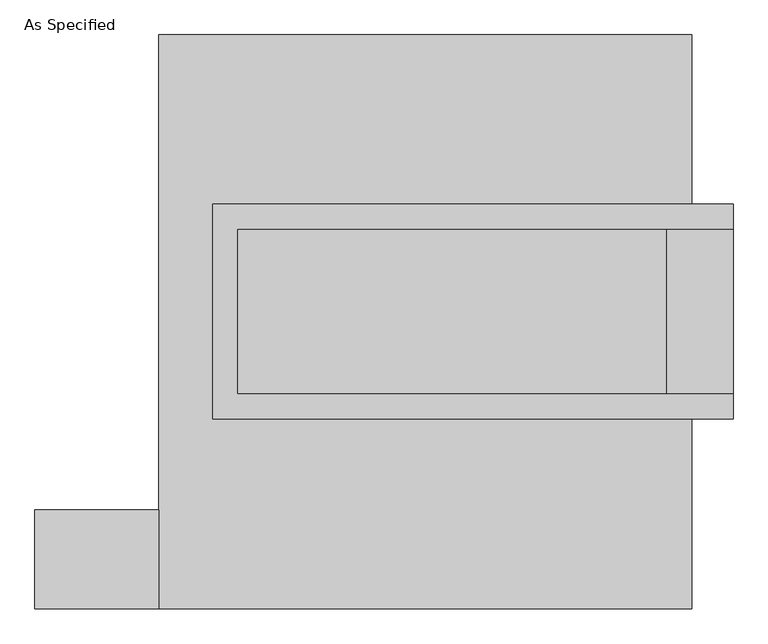
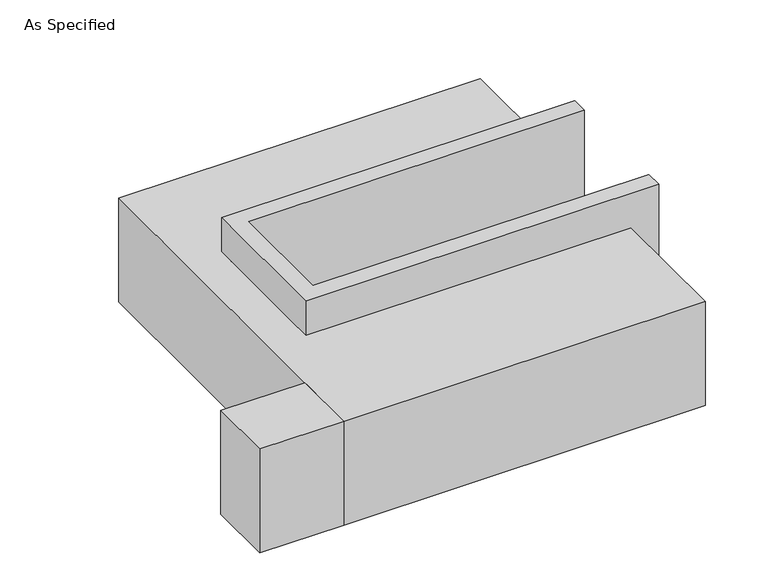
"""IFC4 building model written with IfcOpenShell, lengths in millimetres: proxy geometry, As Specified."""

import ifcopenshell
import ifcopenshell.guid

model = None  # the IFC model being written
_history = None  # IfcOwnerHistory: only IFC2X3 demands one
_inside = {}  # id of a spatial element -> (the spatial element, [elements in it])
_under = {}  # id of a project, library or spatial element -> (it, [spatial elements below it])
_declared = {}  # id of a project -> (the project, [libraries it declares])
_typed = {}  # id of a type object -> (the type object, [elements of that type])
_made_of = {}  # id of a material, layer set ... -> (it, [elements and type objects made of it])


def new_model(schema):
    """Start an empty IFC model of exactly this schema.

    Asked for "IFC4X3", IfcOpenShell would pick the latest addendum, in which some entities
    have other attributes; the version numbers below select the first issue.
    IFC2X3 requires an IfcOwnerHistory on every rooted entity: one is made here for all.
    """
    global model, _history
    if schema == "IFC4X3":
        model = ifcopenshell.file(schema_version=(4, 3, 0, 0))
    else:
        model = ifcopenshell.file(schema=schema)
    _inside.clear()
    _under.clear()
    _declared.clear()
    _typed.clear()
    _made_of.clear()
    _history = None
    if model.schema == "IFC2X3":
        org = make("IfcOrganization", Name="unknown")
        user = make(
            "IfcPersonAndOrganization",
            ThePerson=make("IfcPerson", FamilyName="unknown"),
            TheOrganization=org,
        )
        app = make(
            "IfcApplication",
            ApplicationDeveloper=org,
            Version="unknown",
            ApplicationFullName="unknown",
            ApplicationIdentifier="unknown",
        )
        _history = make(
            "IfcOwnerHistory",
            OwningUser=user,
            OwningApplication=app,
            ChangeAction="ADDED",
            CreationDate=0,
        )
    return model


def make(cls, **values):
    """One entity of the class cls with the attributes given. An attribute that is None is left unset."""
    return model.create_entity(
        cls, **{name: value for name, value in values.items() if value is not None}
    )


def rooted(cls, **values):
    """An entity with a GlobalId (a new one), such as an element, a storey or a relation."""
    return make(cls, GlobalId=ifcopenshell.guid.new(), OwnerHistory=_history, **values)


def si_unit(unit_type, name, prefix=None):
    """IfcSIUnit, for example si_unit("LENGTHUNIT", "METRE", prefix="MILLI")."""
    return make("IfcSIUnit", UnitType=unit_type, Prefix=prefix, Name=name)


def assignment(units):
    """IfcUnitAssignment: the units of a project."""
    return None if units is None else make("IfcUnitAssignment", Units=units)


def point(xyz):
    """IfcCartesianPoint."""
    return None if xyz is None else make("IfcCartesianPoint", Coordinates=xyz)


def direction(xyz):
    """IfcDirection."""
    return None if xyz is None else make("IfcDirection", DirectionRatios=xyz)


def frame(location, z_axis=None, x_axis=None):
    """IfcAxis2Placement3D, a coordinate frame: its origin and axes. An axis left out is left unset."""
    return make(
        "IfcAxis2Placement3D",
        Location=point(location),
        Axis=direction(z_axis),
        RefDirection=direction(x_axis),
    )


def origin():
    """The frame at (0, 0, 0) with its axes left unset."""
    return frame((0.0, 0.0, 0.0))


def place(relative_to, where):
    """IfcLocalPlacement: puts the frame where relative to a parent placement (None: the world)."""
    return make(
        "IfcLocalPlacement", PlacementRelTo=relative_to, RelativePlacement=where
    )


def context(
    kind, dimensions, precision=None, world=None, true_north=None, identifier=None
):
    """IfcGeometricRepresentationContext, for example the 3D "Model" context."""
    return make(
        "IfcGeometricRepresentationContext",
        ContextIdentifier=identifier,
        ContextType=kind,
        CoordinateSpaceDimension=dimensions,
        Precision=precision,
        WorldCoordinateSystem=world,
        TrueNorth=true_north,
    )


def project(units=None, contexts=None):
    """IfcProject with its units and contexts."""
    return rooted(
        "IfcProject",
        Name="project",
        RepresentationContexts=contexts,
        UnitsInContext=assignment(units),
    )


def spatial(cls, under=None, at=None, **own):
    """A site, building, storey or space (cls), placed at a placement, below another one or the project."""
    s = rooted(cls, ObjectPlacement=at, **own)
    if under is not None:
        _under.setdefault(under.id(), (under, []))[1].append(s)
    return s


def polyline(points):
    """IfcPolyline through the points."""
    return make("IfcPolyline", Points=[point(p) for p in points])


def outline(outer, holes=None, kind="AREA"):
    """IfcArbitraryClosedProfileDef: a profile drawn as a closed curve; with holes, ...WithVoids."""
    if holes is None:
        return make("IfcArbitraryClosedProfileDef", ProfileType=kind, OuterCurve=outer)
    return make(
        "IfcArbitraryProfileDefWithVoids",
        ProfileType=kind,
        OuterCurve=outer,
        InnerCurves=holes,
    )


def extrude(swept, where, along, depth):
    """IfcExtrudedAreaSolid: the profile swept, set in the frame where, extruded along a direction by depth."""
    return make(
        "IfcExtrudedAreaSolid",
        SweptArea=swept,
        Position=where,
        ExtrudedDirection=direction(along),
        Depth=depth,
    )


def faces_of(points, faces, orient=None, outer=None):
    """IfcFace entities. A face is a list of loops; a loop is a list of indices into points, from 0.

    orient and outer hold one flag for each loop. By default every Orientation is true, the
    first loop of a face is its IfcFaceOuterBound and the others are IfcFaceBound.
    """
    made = []
    for i, loops in enumerate(faces):
        bounds = []
        for j, loop in enumerate(loops):
            is_outer = j == 0 if outer is None else outer[i][j]
            bounds.append(
                make(
                    "IfcFaceOuterBound" if is_outer else "IfcFaceBound",
                    Bound=make("IfcPolyLoop", Polygon=[points[k] for k in loop]),
                    Orientation=True if orient is None else orient[i][j],
                )
            )
        made.append(make("IfcFace", Bounds=bounds))
    return made


def faceted_brep(points, faces, orient=None, outer=None, voids=None):
    """IfcFacetedBrep: a solid bounded by flat faces; with voids (closed shells), ...WithVoids."""
    shared = [point(p) for p in points]
    hull = make("IfcClosedShell", CfsFaces=faces_of(shared, faces, orient, outer))
    if voids is None:
        return make("IfcFacetedBrep", Outer=hull)
    return make(
        "IfcFacetedBrepWithVoids",
        Outer=hull,
        Voids=[
            make(cls, CfsFaces=faces_of(shared, fs, o, b)) for cls, fs, o, b in voids
        ],
    )


def shape(context_of_items, identifier, shape_type, items):
    """IfcShapeRepresentation: the items that make up one representation, for example the "Body"."""
    return make(
        "IfcShapeRepresentation",
        ContextOfItems=context_of_items,
        RepresentationIdentifier=identifier,
        RepresentationType=shape_type,
        Items=items,
    )


def source(mapping_origin, context_of_items, identifier, shape_type, items):
    """IfcRepresentationMap: a shape defined once, which mapped items show again and again."""
    return make(
        "IfcRepresentationMap",
        MappingOrigin=mapping_origin,
        MappedRepresentation=shape(context_of_items, identifier, shape_type, items),
    )


def transform(
    local_origin,
    x_axis=None,
    y_axis=None,
    z_axis=None,
    scale=None,
    scale2=None,
    scale3=None,
    uniform=True,
):
    """IfcCartesianTransformationOperator3D, or its non-uniform kind. x_axis, y_axis, z_axis: its Axis1, 2, 3."""
    if uniform:
        return make(
            "IfcCartesianTransformationOperator3D",
            Axis1=direction(x_axis),
            Axis2=direction(y_axis),
            LocalOrigin=point(local_origin),
            Scale=scale,
            Axis3=direction(z_axis),
        )
    return make(
        "IfcCartesianTransformationOperator3DnonUniform",
        Axis1=direction(x_axis),
        Axis2=direction(y_axis),
        LocalOrigin=point(local_origin),
        Scale=scale,
        Axis3=direction(z_axis),
        Scale2=scale2,
        Scale3=scale3,
    )


def mapped(mapping_source, mapping_target):
    """IfcMappedItem: shows the shape of a source again, moved by a transform."""
    return make(
        "IfcMappedItem", MappingSource=mapping_source, MappingTarget=mapping_target
    )


def made_of(thing, what):
    """Note that an element or type object is made of a material, layer set ...; save() writes the relation."""
    if what is not None:
        _made_of.setdefault(what.id(), (what, []))[1].append(thing)
    return thing


def element(
    cls,
    number,
    at=None,
    inside=None,
    cuts=None,
    type_object=None,
    material=None,
    context=None,
    identifier="Body",
    shape_type=None,
    held_by="IfcProductDefinitionShape",
    body=None,
    shapes=None,
    **own,
):
    """One element of the class cls, such as IfcWall. Its Tag is "e" and its number.

    at: its placement. inside: the storey or other place that contains it. cuts: it is an
    opening in that element (IfcRelVoidsElement). A single representation is given by context,
    identifier, shape_type and body (its items); several are given by shapes. held_by: the class
    of the entity that holds the representations. save() writes the other relations.
    """
    e = rooted(cls, Tag="e%d" % number, ObjectPlacement=at, **own)
    if body is not None:
        shapes = [shape(context, identifier, shape_type, body)]
    if shapes is not None:
        e.Representation = make(held_by, Representations=shapes)
    if inside is not None:
        _inside.setdefault(inside.id(), (inside, []))[1].append(e)
    if cuts is not None:
        rooted(
            "IfcRelVoidsElement", RelatingBuildingElement=cuts, RelatedOpeningElement=e
        )
    if type_object is not None:
        _typed.setdefault(type_object.id(), (type_object, []))[1].append(e)
    return made_of(e, material)


def aggregate(whole, parts):
    """IfcRelAggregates: a whole, such as a stair, and the parts it consists of."""
    return rooted("IfcRelAggregates", RelatingObject=whole, RelatedObjects=parts)


def save(model, path):
    """Write the relations noted so far, then the file.

    IfcRelAggregates (storeys below a building ...), IfcRelContainedInSpatialStructure (elements
    in a storey), IfcRelDefinesByType, IfcRelAssociatesMaterial and IfcRelDeclares: one each for
    every whole, place, type object, material and project.
    """
    for whole, parts in _under.values():
        aggregate(whole, parts)
    for where, things in _inside.values():
        rooted(
            "IfcRelContainedInSpatialStructure",
            RelatedElements=things,
            RelatingStructure=where,
        )
    for kind, things in _typed.values():
        rooted("IfcRelDefinesByType", RelatedObjects=things, RelatingType=kind)
    for what, things in _made_of.values():
        rooted("IfcRelAssociatesMaterial", RelatedObjects=things, RelatingMaterial=what)
    for by, libraries in _declared.values():
        rooted("IfcRelDeclares", RelatingContext=by, RelatedDefinitions=libraries)
    model.write(path)


def as_specified_d118a58b(model_context):
    return source(origin(), model_context, "Body", "SolidModel", [
        extrude(outline(polyline([(-819.15, -882.65), (-1200.15, -882.65), (-1200.15, -577.85), (-819.15, -577.85), (-819.15, -882.65)])), frame((0.0, 0.0, -523.9742188), z_axis=(0.0, 0.0, 1.0), x_axis=(1.0, 0.0, 0.0)), (0.0, 0.0, 1.0), 498.5742187),
        faceted_brep([(-654.05, 361.95, 139.7), (-654.05, 361.95, -393.7), (-654.05, 285.75, -393.7), (-654.05, 285.75, -25.4), (-654.05, -222.25, -25.4), (-654.05, -222.25, -393.7), (-654.05, -298.45, -393.7), (-654.05, -298.45, 139.7), (946.15, 285.75, 139.7), (946.15, 285.75, -317.5), (946.15, -222.25, -317.5), (946.15, -222.25, 139.7), (946.15, -298.45, 139.7), (946.15, -298.45, -393.7), (946.15, 361.95, -393.7), (946.15, 361.95, 139.7), (-577.85, -222.25, 139.7), (-577.85, 285.75, 139.7), (742.95, -222.25, -393.7), (742.95, 285.75, -393.7), (742.95, -222.25, -317.5), (-577.85, -222.25, -25.4), (742.95, 285.75, -317.5), (-577.85, 285.75, -25.4)], [[[0, 1, 2, 3, 4, 5, 6, 7]], [[8, 9, 10, 11, 12, 13, 14, 15]], [[0, 7, 12, 11, 16, 17, 8, 15]], [[1, 0, 15, 14]], [[14, 13, 6, 5, 18, 19, 2, 1]], [[7, 6, 13, 12]], [[11, 10, 20, 18, 5, 4, 21, 16]], [[10, 9, 22, 20]], [[9, 8, 17, 23, 3, 2, 19, 22]], [[18, 20, 22, 19]], [[23, 21, 4, 3]], [[17, 16, 21, 23]]]),
        faceted_brep([(-819.15, 882.65, -523.9742188), (819.15, 882.65, -523.9742188), (819.15, -882.65, -523.9742188), (-819.15, -882.65, -523.9742188), (819.15, 882.65, -25.4), (-819.15, 882.65, -25.4), (-819.15, -882.65, -25.4), (819.15, -882.65, -25.4), (819.15, -298.45, -25.4), (-654.05, -298.45, -25.4), (-654.05, 361.95, -25.4), (819.15, 361.95, -25.4), (819.15, 361.95, -393.7), (819.15, -298.45, -393.7), (-654.05, -298.45, -393.7), (-654.05, 361.95, -393.7)], [[[0, 1, 2, 3]], [[4, 5, 6, 7, 8, 9, 10, 11]], [[1, 0, 5, 4]], [[5, 0, 3, 6]], [[1, 4, 11, 12, 13, 8, 7, 2]], [[3, 2, 7, 6]], [[14, 15, 10, 9]], [[10, 15, 12, 11]], [[15, 14, 13, 12]], [[14, 9, 8, 13]]]),
    ])


if __name__ == "__main__":
    model = new_model("IFC4")
    model_context = context("Model", 3, world=origin())
    ifc_project = project(units=[si_unit("LENGTHUNIT", "METRE", prefix="MILLI")], contexts=[model_context])
    site = spatial("IfcSite", under=ifc_project)
    building = spatial("IfcBuilding", under=site)
    placement = place(None, origin())
    as_specified_shape = as_specified_d118a58b(model_context)
    element("IfcBuildingElementProxy", 1, Name="As Specified", ObjectType="As Specified", at=placement, inside=building, context=model_context, shape_type="MappedRepresentation", body=[
        mapped(as_specified_shape, transform((0.0, 0.0, 0.0), x_axis=(1.0, 0.0, 0.0), y_axis=(0.0, 1.0, 0.0), z_axis=(0.0, 0.0, 1.0))),
    ])
    save(model, "model.ifc")
